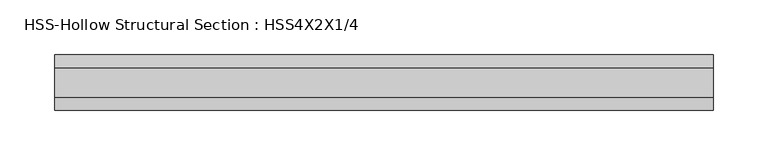
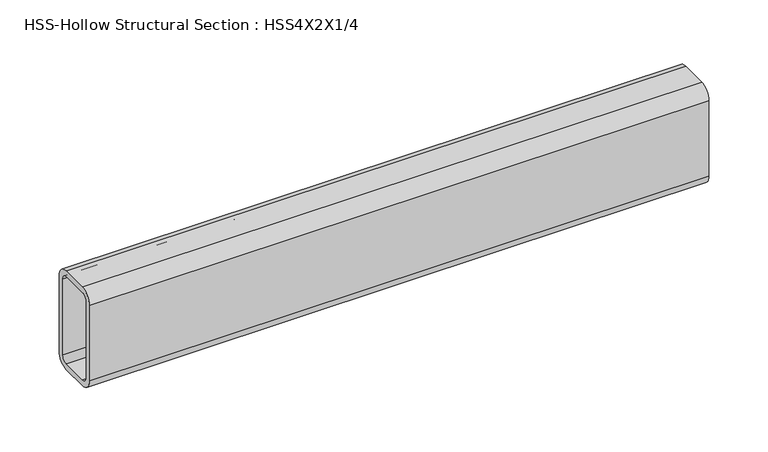
"""IFC4 building model written with IfcOpenShell, lengths in millimetres: beam geometry, HSS-Hollow Structural Section : HSS4X2X1/4."""

from ifc_helpers import new_model, si_unit, point, frame, frame_2d, origin, place, context, project, spatial, polyline, circle_curve, trimmed, segment, composite_curve, outline, extrude, source, transform, mapped, element, save


def hss_hollow_structural_section_hss4x2x1_4_8ab29c86(model_context):
    return source(origin(), model_context, "Body", "SweptSolid", [
        extrude(outline(composite_curve([segment(polyline([(25.4, 38.9636), (25.4, -38.9636)]), True, "CONTINUOUS"), segment(trimmed(circle_curve(frame_2d((13.5636, -38.9636)), 11.8364), [point((25.4, -38.9636))], [point((13.5636, -50.8))], False, "CARTESIAN"), True, "CONTINUOUS"), segment(polyline([(13.5636, -50.8), (-13.5636, -50.8)]), True, "CONTINUOUS"), segment(trimmed(circle_curve(frame_2d((-13.5636, -38.9636)), 11.8364), [point((-13.5636, -50.8))], [point((-25.4, -38.9636))], False, "CARTESIAN"), True, "CONTINUOUS"), segment(polyline([(-25.4, -38.9636), (-25.4, 38.9636)]), True, "CONTINUOUS"), segment(trimmed(circle_curve(frame_2d((-13.5636, 38.9636)), 11.8364), [point((-25.4, 38.9636))], [point((-13.5636, 50.8))], False, "CARTESIAN"), True, "CONTINUOUS"), segment(polyline([(-13.5636, 50.8), (13.5636, 50.8)]), True, "CONTINUOUS"), segment(trimmed(circle_curve(frame_2d((13.5636, 38.9636)), 11.8364), [point((13.5636, 50.8))], [point((25.4, 38.9636))], False, "CARTESIAN"), True, "CONTINUOUS")], self_intersect=False), holes=[composite_curve([segment(trimmed(circle_curve(frame_2d((-13.5636, 38.9636)), 5.9182), [point((-13.5636, 44.8818))], [point((-19.4818, 38.9636))], True, "CARTESIAN"), True, "CONTINUOUS"), segment(polyline([(-19.4818, 38.9636), (-19.4818, -38.9636)]), True, "CONTINUOUS"), segment(trimmed(circle_curve(frame_2d((-13.5636, -38.9636)), 5.9182), [point((-19.4818, -38.9636))], [point((-13.5636, -44.8818))], True, "CARTESIAN"), True, "CONTINUOUS"), segment(polyline([(-13.5636, -44.8818), (13.5636, -44.8818)]), True, "CONTINUOUS"), segment(trimmed(circle_curve(frame_2d((13.5636, -38.9636)), 5.9182), [point((13.5636, -44.8818))], [point((19.4818, -38.9636))], True, "CARTESIAN"), True, "CONTINUOUS"), segment(polyline([(19.4818, -38.9636), (19.4818, 38.9636)]), True, "CONTINUOUS"), segment(trimmed(circle_curve(frame_2d((13.5636, 38.9636)), 5.9182), [point((19.4818, 38.9636))], [point((13.5636, 44.8818))], True, "CARTESIAN"), True, "CONTINUOUS"), segment(polyline([(13.5636, 44.8818), (-13.5636, 44.8818)]), True, "CONTINUOUS")], self_intersect=False)]), frame((-314.3249994, 0.0, 0.0), z_axis=(1.0, 0.0, 0.0), x_axis=(0.0, 1.0, 0.0)), (0.0, 0.0, 1.0), 603.2499994),
    ])


if __name__ == "__main__":
    model = new_model("IFC4")
    model_context = context("Model", 3, world=origin())
    ifc_project = project(units=[si_unit("LENGTHUNIT", "METRE", prefix="MILLI")], contexts=[model_context])
    site = spatial("IfcSite", under=ifc_project)
    building = spatial("IfcBuilding", under=site)
    placement = place(None, origin())
    hss_hollow_structural_section_hss4x2x1_4_shape = hss_hollow_structural_section_hss4x2x1_4_8ab29c86(model_context)
    element("IfcBeam", 1, ObjectType="HSS-Hollow Structural Section : HSS4X2X1/4", at=placement, inside=building, context=model_context, shape_type="MappedRepresentation", body=[
        mapped(hss_hollow_structural_section_hss4x2x1_4_shape, transform((0.0, 0.0, 0.0), x_axis=(1.0, 0.0, 0.0), y_axis=(0.0, 1.0, 0.0), z_axis=(0.0, 0.0, 1.0))),
    ])
    save(model, "model.ifc")
